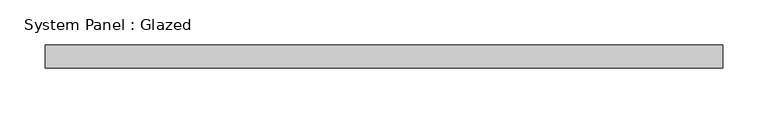
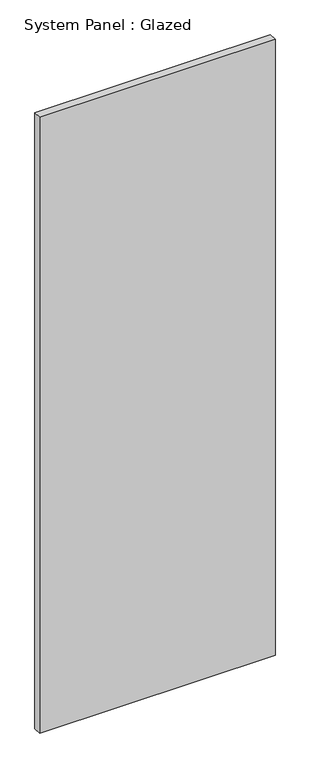
"""IFC4 building model written with IfcOpenShell, lengths in millimetres: plate geometry, System Panel : Glazed."""

from ifc_helpers import new_model, si_unit, origin, origin_with_axes, place, context, project, spatial, polyline, outline, extrude, source, transform, mapped, element, save


def system_panel_glazed_4a127bfc(model_context):
    return source(origin(), model_context, "Body", "SweptSolid", [
        extrude(outline(polyline([(375.7083333, -44.45), (-375.7083333, -44.45), (-375.7083333, -19.05), (375.7083333, -19.05), (375.7083333, -44.45)])), origin_with_axes(), (0.0, 0.0, 1.0), 2076.45),
    ])


if __name__ == "__main__":
    model = new_model("IFC4")
    model_context = context("Model", 3, world=origin())
    ifc_project = project(units=[si_unit("LENGTHUNIT", "METRE", prefix="MILLI")], contexts=[model_context])
    site = spatial("IfcSite", under=ifc_project)
    building = spatial("IfcBuilding", under=site)
    placement = place(None, origin())
    system_panel_glazed_shape = system_panel_glazed_4a127bfc(model_context)
    element("IfcPlate", 1, ObjectType="System Panel : Glazed", at=placement, inside=building, context=model_context, shape_type="MappedRepresentation", body=[
        mapped(system_panel_glazed_shape, transform((0.0, 0.0, 0.0), x_axis=(1.0, 0.0, 0.0), y_axis=(0.0, 1.0, 0.0), z_axis=(0.0, 0.0, 1.0))),
    ])
    save(model, "model.ifc")
